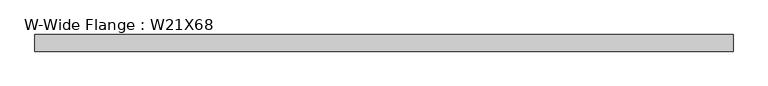
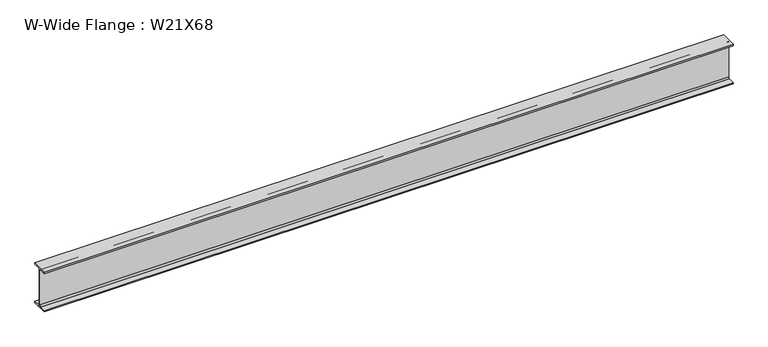
"""IFC4 building model written with IfcOpenShell, lengths in millimetres: beam geometry, W-Wide Flange : W21X68."""

from ifc_helpers import new_model, si_unit, point, frame, frame_2d, origin, place, context, project, spatial, polyline, circle_curve, trimmed, segment, composite_curve, outline, extrude, source, transform, mapped, element, save


def w_wide_flange_w21x68_c2f96940(model_context):
    return source(origin(), model_context, "Body", "SweptSolid", [
        extrude(outline(composite_curve([segment(polyline([(105.0230469, -250.6265625), (105.0230469, -267.9898438), (-105.0230469, -267.9898438), (-105.0230469, -250.6265625), (-23.01875, -250.6265625)]), True, "CONTINUOUS"), segment(trimmed(circle_curve(frame_2d((-23.01875, -233.0648438)), 17.5617188), [point((-23.01875, -250.6265625))], [point((-5.4570313, -233.0648438))], True, "CARTESIAN"), True, "CONTINUOUS"), segment(polyline([(-5.4570313, -233.0648438), (-5.4570313, 233.0648437)]), True, "CONTINUOUS"), segment(trimmed(circle_curve(frame_2d((-23.01875, 233.0648437)), 17.5617187), [point((-5.4570313, 233.0648437))], [point((-23.01875, 250.6265625))], True, "CARTESIAN"), True, "CONTINUOUS"), segment(polyline([(-23.01875, 250.6265625), (-105.0230469, 250.6265625), (-105.0230469, 267.9898437), (105.0230469, 267.9898437), (105.0230469, 250.6265625), (23.01875, 250.6265625)]), True, "CONTINUOUS"), segment(trimmed(circle_curve(frame_2d((23.01875, 233.0648437)), 17.5617188), [point((23.01875, 250.6265625))], [point((5.4570312, 233.0648437))], True, "CARTESIAN"), True, "CONTINUOUS"), segment(polyline([(5.4570312, 233.0648437), (5.4570312, -233.0648438)]), True, "CONTINUOUS"), segment(trimmed(circle_curve(frame_2d((23.01875, -233.0648438)), 17.5617187), [point((5.4570312, -233.0648438))], [point((23.01875, -250.6265625))], True, "CARTESIAN"), True, "CONTINUOUS"), segment(polyline([(23.01875, -250.6265625), (105.0230469, -250.6265625)]), True, "CONTINUOUS")], self_intersect=False)), frame((-4407.6441406, 0.0, 0.0), z_axis=(1.0, 0.0, 0.0), x_axis=(0.0, 1.0, 0.0)), (0.0, 0.0, 1.0), 8815.2882812),
    ])


if __name__ == "__main__":
    model = new_model("IFC4")
    model_context = context("Model", 3, world=origin())
    ifc_project = project(units=[si_unit("LENGTHUNIT", "METRE", prefix="MILLI")], contexts=[model_context])
    site = spatial("IfcSite", under=ifc_project)
    building = spatial("IfcBuilding", under=site)
    placement = place(None, origin())
    w_wide_flange_w21x68_shape = w_wide_flange_w21x68_c2f96940(model_context)
    element("IfcBeam", 1, ObjectType="W-Wide Flange : W21X68", at=placement, inside=building, context=model_context, shape_type="MappedRepresentation", body=[
        mapped(w_wide_flange_w21x68_shape, transform((0.0, 0.0, 0.0), x_axis=(1.0, 0.0, 0.0), y_axis=(0.0, 1.0, 0.0), z_axis=(0.0, 0.0, 1.0))),
    ])
    save(model, "model.ifc")
